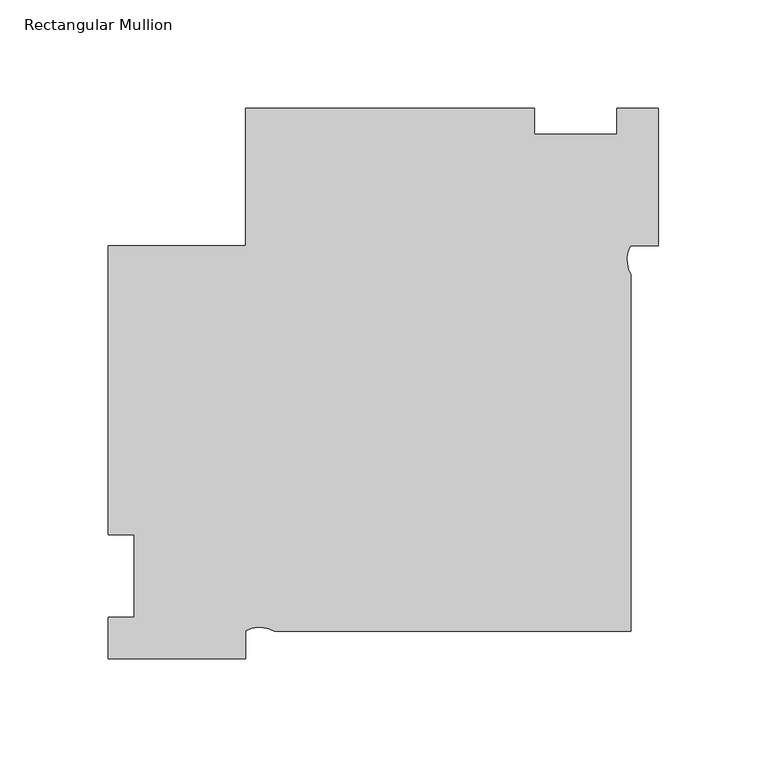
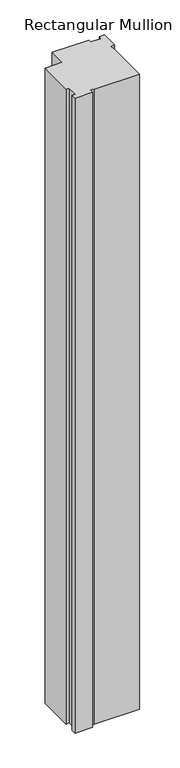
"""IFC4 building model written with IfcOpenShell, lengths in millimetres: member geometry, Rectangular Mullion."""

import ifcopenshell
import ifcopenshell.guid

model = None  # the IFC model being written
_history = None  # IfcOwnerHistory: only IFC2X3 demands one
_inside = {}  # id of a spatial element -> (the spatial element, [elements in it])
_under = {}  # id of a project, library or spatial element -> (it, [spatial elements below it])
_declared = {}  # id of a project -> (the project, [libraries it declares])
_typed = {}  # id of a type object -> (the type object, [elements of that type])
_made_of = {}  # id of a material, layer set ... -> (it, [elements and type objects made of it])


def new_model(schema):
    """Start an empty IFC model of exactly this schema.

    Asked for "IFC4X3", IfcOpenShell would pick the latest addendum, in which some entities
    have other attributes; the version numbers below select the first issue.
    IFC2X3 requires an IfcOwnerHistory on every rooted entity: one is made here for all.
    """
    global model, _history
    if schema == "IFC4X3":
        model = ifcopenshell.file(schema_version=(4, 3, 0, 0))
    else:
        model = ifcopenshell.file(schema=schema)
    _inside.clear()
    _under.clear()
    _declared.clear()
    _typed.clear()
    _made_of.clear()
    _history = None
    if model.schema == "IFC2X3":
        org = make("IfcOrganization", Name="unknown")
        user = make(
            "IfcPersonAndOrganization",
            ThePerson=make("IfcPerson", FamilyName="unknown"),
            TheOrganization=org,
        )
        app = make(
            "IfcApplication",
            ApplicationDeveloper=org,
            Version="unknown",
            ApplicationFullName="unknown",
            ApplicationIdentifier="unknown",
        )
        _history = make(
            "IfcOwnerHistory",
            OwningUser=user,
            OwningApplication=app,
            ChangeAction="ADDED",
            CreationDate=0,
        )
    return model


def make(cls, **values):
    """One entity of the class cls with the attributes given. An attribute that is None is left unset."""
    return model.create_entity(
        cls, **{name: value for name, value in values.items() if value is not None}
    )


def rooted(cls, **values):
    """An entity with a GlobalId (a new one), such as an element, a storey or a relation."""
    return make(cls, GlobalId=ifcopenshell.guid.new(), OwnerHistory=_history, **values)


def si_unit(unit_type, name, prefix=None):
    """IfcSIUnit, for example si_unit("LENGTHUNIT", "METRE", prefix="MILLI")."""
    return make("IfcSIUnit", UnitType=unit_type, Prefix=prefix, Name=name)


def assignment(units):
    """IfcUnitAssignment: the units of a project."""
    return None if units is None else make("IfcUnitAssignment", Units=units)


def point(xyz):
    """IfcCartesianPoint."""
    return None if xyz is None else make("IfcCartesianPoint", Coordinates=xyz)


def direction(xyz):
    """IfcDirection."""
    return None if xyz is None else make("IfcDirection", DirectionRatios=xyz)


def frame(location, z_axis=None, x_axis=None):
    """IfcAxis2Placement3D, a coordinate frame: its origin and axes. An axis left out is left unset."""
    return make(
        "IfcAxis2Placement3D",
        Location=point(location),
        Axis=direction(z_axis),
        RefDirection=direction(x_axis),
    )


def frame_2d(location, x_axis=None):
    """IfcAxis2Placement2D, a coordinate frame in the plane: its origin and x axis."""
    return make(
        "IfcAxis2Placement2D", Location=point(location), RefDirection=direction(x_axis)
    )


def origin():
    """The frame at (0, 0, 0) with its axes left unset."""
    return frame((0.0, 0.0, 0.0))


def place(relative_to, where):
    """IfcLocalPlacement: puts the frame where relative to a parent placement (None: the world)."""
    return make(
        "IfcLocalPlacement", PlacementRelTo=relative_to, RelativePlacement=where
    )


def context(
    kind, dimensions, precision=None, world=None, true_north=None, identifier=None
):
    """IfcGeometricRepresentationContext, for example the 3D "Model" context."""
    return make(
        "IfcGeometricRepresentationContext",
        ContextIdentifier=identifier,
        ContextType=kind,
        CoordinateSpaceDimension=dimensions,
        Precision=precision,
        WorldCoordinateSystem=world,
        TrueNorth=true_north,
    )


def project(units=None, contexts=None):
    """IfcProject with its units and contexts."""
    return rooted(
        "IfcProject",
        Name="project",
        RepresentationContexts=contexts,
        UnitsInContext=assignment(units),
    )


def spatial(cls, under=None, at=None, **own):
    """A site, building, storey or space (cls), placed at a placement, below another one or the project."""
    s = rooted(cls, ObjectPlacement=at, **own)
    if under is not None:
        _under.setdefault(under.id(), (under, []))[1].append(s)
    return s


def polyline(points):
    """IfcPolyline through the points."""
    return make("IfcPolyline", Points=[point(p) for p in points])


def circle_curve(where, radius):
    """IfcCircle in the frame where."""
    return make("IfcCircle", Position=where, Radius=radius)


def trimmed(basis, trim1, trim2, sense, master):
    """IfcTrimmedCurve: the piece of a basis curve between two trims."""
    return make(
        "IfcTrimmedCurve",
        BasisCurve=basis,
        Trim1=trim1,
        Trim2=trim2,
        SenseAgreement=sense,
        MasterRepresentation=master,
    )


def segment(curve, same_sense, transition):
    """IfcCompositeCurveSegment."""
    return make(
        "IfcCompositeCurveSegment",
        Transition=transition,
        SameSense=same_sense,
        ParentCurve=curve,
    )


def composite_curve(segments, self_intersect=None):
    """IfcCompositeCurve: segments joined end to end."""
    return make("IfcCompositeCurve", Segments=segments, SelfIntersect=self_intersect)


def outline(outer, holes=None, kind="AREA"):
    """IfcArbitraryClosedProfileDef: a profile drawn as a closed curve; with holes, ...WithVoids."""
    if holes is None:
        return make("IfcArbitraryClosedProfileDef", ProfileType=kind, OuterCurve=outer)
    return make(
        "IfcArbitraryProfileDefWithVoids",
        ProfileType=kind,
        OuterCurve=outer,
        InnerCurves=holes,
    )


def extrude(swept, where, along, depth):
    """IfcExtrudedAreaSolid: the profile swept, set in the frame where, extruded along a direction by depth."""
    return make(
        "IfcExtrudedAreaSolid",
        SweptArea=swept,
        Position=where,
        ExtrudedDirection=direction(along),
        Depth=depth,
    )


def shape(context_of_items, identifier, shape_type, items):
    """IfcShapeRepresentation: the items that make up one representation, for example the "Body"."""
    return make(
        "IfcShapeRepresentation",
        ContextOfItems=context_of_items,
        RepresentationIdentifier=identifier,
        RepresentationType=shape_type,
        Items=items,
    )


def source(mapping_origin, context_of_items, identifier, shape_type, items):
    """IfcRepresentationMap: a shape defined once, which mapped items show again and again."""
    return make(
        "IfcRepresentationMap",
        MappingOrigin=mapping_origin,
        MappedRepresentation=shape(context_of_items, identifier, shape_type, items),
    )


def transform(
    local_origin,
    x_axis=None,
    y_axis=None,
    z_axis=None,
    scale=None,
    scale2=None,
    scale3=None,
    uniform=True,
):
    """IfcCartesianTransformationOperator3D, or its non-uniform kind. x_axis, y_axis, z_axis: its Axis1, 2, 3."""
    if uniform:
        return make(
            "IfcCartesianTransformationOperator3D",
            Axis1=direction(x_axis),
            Axis2=direction(y_axis),
            LocalOrigin=point(local_origin),
            Scale=scale,
            Axis3=direction(z_axis),
        )
    return make(
        "IfcCartesianTransformationOperator3DnonUniform",
        Axis1=direction(x_axis),
        Axis2=direction(y_axis),
        LocalOrigin=point(local_origin),
        Scale=scale,
        Axis3=direction(z_axis),
        Scale2=scale2,
        Scale3=scale3,
    )


def mapped(mapping_source, mapping_target):
    """IfcMappedItem: shows the shape of a source again, moved by a transform."""
    return make(
        "IfcMappedItem", MappingSource=mapping_source, MappingTarget=mapping_target
    )


def made_of(thing, what):
    """Note that an element or type object is made of a material, layer set ...; save() writes the relation."""
    if what is not None:
        _made_of.setdefault(what.id(), (what, []))[1].append(thing)
    return thing


def element(
    cls,
    number,
    at=None,
    inside=None,
    cuts=None,
    type_object=None,
    material=None,
    context=None,
    identifier="Body",
    shape_type=None,
    held_by="IfcProductDefinitionShape",
    body=None,
    shapes=None,
    **own,
):
    """One element of the class cls, such as IfcWall. Its Tag is "e" and its number.

    at: its placement. inside: the storey or other place that contains it. cuts: it is an
    opening in that element (IfcRelVoidsElement). A single representation is given by context,
    identifier, shape_type and body (its items); several are given by shapes. held_by: the class
    of the entity that holds the representations. save() writes the other relations.
    """
    e = rooted(cls, Tag="e%d" % number, ObjectPlacement=at, **own)
    if body is not None:
        shapes = [shape(context, identifier, shape_type, body)]
    if shapes is not None:
        e.Representation = make(held_by, Representations=shapes)
    if inside is not None:
        _inside.setdefault(inside.id(), (inside, []))[1].append(e)
    if cuts is not None:
        rooted(
            "IfcRelVoidsElement", RelatingBuildingElement=cuts, RelatedOpeningElement=e
        )
    if type_object is not None:
        _typed.setdefault(type_object.id(), (type_object, []))[1].append(e)
    return made_of(e, material)


def aggregate(whole, parts):
    """IfcRelAggregates: a whole, such as a stair, and the parts it consists of."""
    return rooted("IfcRelAggregates", RelatingObject=whole, RelatedObjects=parts)


def save(model, path):
    """Write the relations noted so far, then the file.

    IfcRelAggregates (storeys below a building ...), IfcRelContainedInSpatialStructure (elements
    in a storey), IfcRelDefinesByType, IfcRelAssociatesMaterial and IfcRelDeclares: one each for
    every whole, place, type object, material and project.
    """
    for whole, parts in _under.values():
        aggregate(whole, parts)
    for where, things in _inside.values():
        rooted(
            "IfcRelContainedInSpatialStructure",
            RelatedElements=things,
            RelatingStructure=where,
        )
    for kind, things in _typed.values():
        rooted("IfcRelDefinesByType", RelatedObjects=things, RelatingType=kind)
    for what, things in _made_of.values():
        rooted("IfcRelAssociatesMaterial", RelatedObjects=things, RelatingMaterial=what)
    for by, libraries in _declared.values():
        rooted("IfcRelDeclares", RelatingContext=by, RelatedDefinitions=libraries)
    model.write(path)


def rectangular_mullion_bdee9275(model_context):
    return source(origin(), model_context, "Body", "SweptSolid", [
        extrude(outline(composite_curve([segment(polyline([(-254.0, 152.4), (-190.5, 152.4), (-190.5, 215.9), (-57.15, 215.9), (-57.15, 203.9874), (-19.0495158, 203.9874), (-19.0495158, 215.9), (0.0, 215.9), (0.0, 152.4), (-13.0240937, 152.4)]), True, "CONTINUOUS"), segment(trimmed(circle_curve(frame_2d((0.2396756, 146.02739)), 14.7152212), [point((-13.0240937, 152.4))], [point((-12.7, 139.0200702))], True, "CARTESIAN"), True, "CONTINUOUS"), segment(polyline([(-12.7, 139.0200702), (-12.7, -25.4), (-177.1200702, -25.4)]), True, "CONTINUOUS"), segment(trimmed(circle_curve(frame_2d((-184.12739, -38.3396756)), 14.7152212), [point((-177.1200702, -25.4))], [point((-190.5, -25.0759063))], True, "CARTESIAN"), True, "CONTINUOUS"), segment(polyline([(-190.5, -25.0759063), (-190.5, -38.1), (-254.0, -38.1), (-254.0, -19.0504842), (-242.0874, -19.0504842), (-242.0874, 19.05), (-254.0, 19.05), (-254.0, 152.4)]), True, "CONTINUOUS")], self_intersect=False)), frame((0.0, 0.0, -2438.4), z_axis=(0.0, 0.0, 1.0), x_axis=(1.0, 0.0, 0.0)), (0.0, 0.0, 1.0), 2438.4),
    ])


if __name__ == "__main__":
    model = new_model("IFC4")
    model_context = context("Model", 3, world=origin())
    ifc_project = project(units=[si_unit("LENGTHUNIT", "METRE", prefix="MILLI")], contexts=[model_context])
    site = spatial("IfcSite", under=ifc_project)
    building = spatial("IfcBuilding", under=site)
    placement = place(None, origin())
    rectangular_mullion_shape = rectangular_mullion_bdee9275(model_context)
    element("IfcMember", 1, ObjectType="Rectangular Mullion", at=placement, inside=building, context=model_context, shape_type="MappedRepresentation", body=[
        mapped(rectangular_mullion_shape, transform((0.0, 0.0, 0.0), x_axis=(1.0, 0.0, 0.0), y_axis=(0.0, 1.0, 0.0), z_axis=(0.0, 0.0, 1.0))),
    ])
    save(model, "model.ifc")
